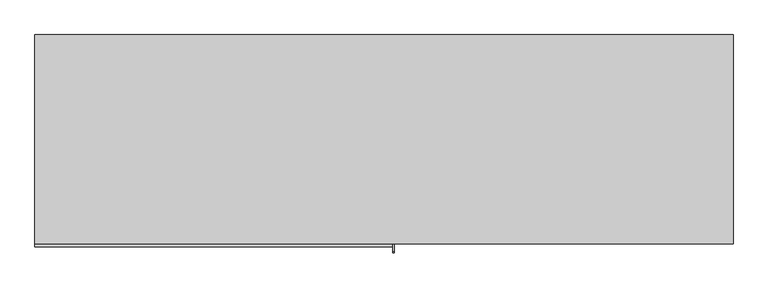
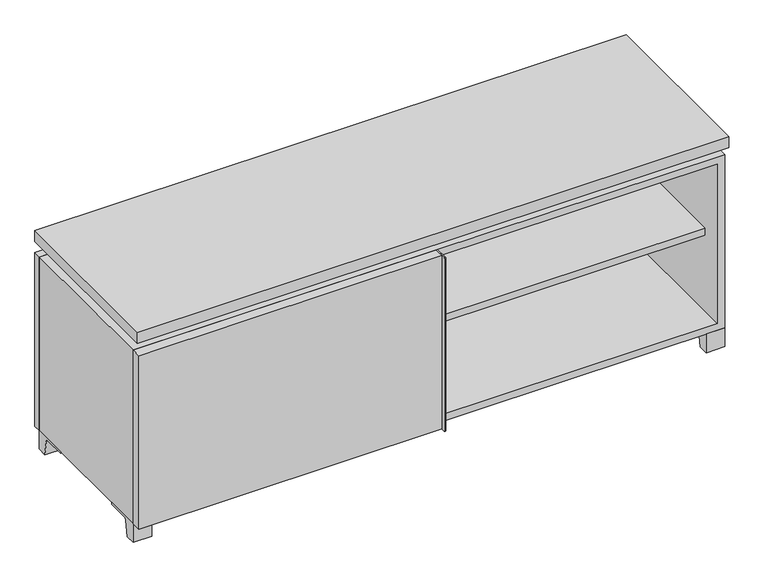
"""IFC4 building model written with IfcOpenShell, lengths in millimetres: furniture geometry."""

from ifc_helpers import new_model, si_unit, point, frame, frame_2d, origin, place, context, project, spatial, polyline, circle_curve, trimmed, segment, composite_curve, outline, extrude, faceted_brep, source, transform, mapped, element, save


def furniture_8820813d(model_context):
    return source(origin(), model_context, "Body", "SolidModel", [
        extrude(outline(polyline([(9.5319453, 241.3), (742.9569453, 241.3), (742.9569453, -92.075), (9.5319453, -92.075), (9.5319453, 241.3)])), frame((0.0, 0.0, 277.8125), z_axis=(0.0, 0.0, 1.0), x_axis=(1.0, 0.0, 0.0)), (0.0, 0.0, 1.0), 19.05),
        extrude(outline(polyline([(-9.5041641, 241.3), (-9.5041641, -92.075), (-742.9291641, -92.075), (-742.9291641, 241.3), (-9.5041641, 241.3)])), frame((0.0, 0.0, 277.8125), z_axis=(0.0, 0.0, 1.0), x_axis=(1.0, 0.0, 0.0)), (0.0, 0.0, 1.0), 19.05),
        extrude(outline(composite_curve([segment(polyline([(47.6249864, 0.0), (22.225, 0.0), (22.225, 50.8), (117.475, 50.8), (117.475, 46.0213321), (60.6744655, 46.0213321)]), True, "CONTINUOUS"), segment(trimmed(circle_curve(frame_2d((60.6744655, 39.6713321)), 6.35), [point((60.6744655, 46.0213321))], [point((54.4108641, 40.7152656))], True, "CARTESIAN"), True, "CONTINUOUS"), segment(polyline([(54.4108641, 40.7152656), (47.6249864, 0.0)]), True, "CONTINUOUS")], self_intersect=False)), frame((-23.7986094, 0.0, 0.0), z_axis=(1.0, 0.0, 0.0), x_axis=(0.0, 1.0, 0.0)), (0.0, 0.0, 1.0), 47.625),
        extrude(outline(polyline([(762.0138906, 292.1), (762.0138906, -165.1), (-761.9861094, -165.1), (-761.9861094, 292.1), (762.0138906, 292.1)])), frame((0.0, 0.0, 554.0375), z_axis=(0.0, 0.0, 1.0), x_axis=(1.0, 0.0, 0.0)), (0.0, 0.0, 1.0), 30.1625),
        extrude(outline(composite_curve([segment(polyline([(-146.05, 523.875), (-146.05, 50.8), (-180.975, 50.8)]), True, "CONTINUOUS"), segment(trimmed(circle_curve(frame_2d((-180.975, 53.975)), 3.175), [point((-180.975, 50.8))], [point((-184.15, 53.975))], False, "CARTESIAN"), True, "CONTINUOUS"), segment(polyline([(-184.15, 53.975), (-184.15, 520.7)]), True, "CONTINUOUS"), segment(trimmed(circle_curve(frame_2d((-180.975, 520.7)), 3.175), [point((-184.15, 520.7))], [point((-180.975, 523.875))], False, "CARTESIAN"), True, "CONTINUOUS"), segment(polyline([(-180.975, 523.875), (-146.05, 523.875)]), True, "CONTINUOUS")], self_intersect=False)), frame((19.0638906, 0.0, 0.0), z_axis=(1.0, 0.0, 0.0), x_axis=(0.0, 1.0, 0.0)), (0.0, 0.0, 1.0), 3.175),
        extrude(outline(polyline([(-761.9861094, -146.05), (19.0638906, -146.05), (19.0638906, -171.45), (-761.9861094, -171.45), (-761.9861094, -146.05)])), frame((0.0, 0.0, 50.8), z_axis=(0.0, 0.0, 1.0), x_axis=(1.0, 0.0, 0.0)), (0.0, 0.0, 1.0), 473.075),
        extrude(outline(composite_curve([segment(polyline([(-120.6500136, 0.0), (-146.05, 0.0), (-146.05, 50.8), (-50.8, 50.8), (-50.8, 46.0213321), (-107.6005345, 46.0213321)]), True, "CONTINUOUS"), segment(trimmed(circle_curve(frame_2d((-107.6005345, 39.6713321)), 6.35), [point((-107.6005345, 46.0213321))], [point((-113.8641359, 40.7152656))], True, "CARTESIAN"), True, "CONTINUOUS"), segment(polyline([(-113.8641359, 40.7152656), (-120.6500136, 0.0)]), True, "CONTINUOUS")], self_intersect=False)), frame((714.3888906, 0.0, 0.0), z_axis=(1.0, 0.0, 0.0), x_axis=(0.0, 1.0, 0.0)), (0.0, 0.0, 1.0), 47.625),
        extrude(outline(composite_curve([segment(polyline([(247.6500136, 0.0), (240.8641359, 40.7152656)]), True, "CONTINUOUS"), segment(trimmed(circle_curve(frame_2d((234.6005345, 39.6713321)), 6.35), [point((240.8641359, 40.7152656))], [point((234.6005345, 46.0213321))], True, "CARTESIAN"), True, "CONTINUOUS"), segment(polyline([(234.6005345, 46.0213321), (177.8, 46.0213321), (177.8, 50.8), (273.05, 50.8), (273.05, 0.0), (247.6500136, 0.0)]), True, "CONTINUOUS")], self_intersect=False)), frame((714.3888906, 0.0, 0.0), z_axis=(1.0, 0.0, 0.0), x_axis=(0.0, 1.0, 0.0)), (0.0, 0.0, 1.0), 47.625),
        extrude(outline(composite_curve([segment(polyline([(-120.6500136, 0.0), (-146.05, 0.0), (-146.05, 50.8), (-50.8, 50.8), (-50.8, 46.0213321), (-107.6005345, 46.0213321)]), True, "CONTINUOUS"), segment(trimmed(circle_curve(frame_2d((-107.6005345, 39.6713321)), 6.35), [point((-107.6005345, 46.0213321))], [point((-113.8641359, 40.7152656))], True, "CARTESIAN"), True, "CONTINUOUS"), segment(polyline([(-113.8641359, 40.7152656), (-120.6500136, 0.0)]), True, "CONTINUOUS")], self_intersect=False)), frame((-761.9861094, 0.0, 0.0), z_axis=(1.0, 0.0, 0.0), x_axis=(0.0, 1.0, 0.0)), (0.0, 0.0, 1.0), 47.625),
        extrude(outline(composite_curve([segment(polyline([(247.6500136, 0.0), (240.8641359, 40.7152656)]), True, "CONTINUOUS"), segment(trimmed(circle_curve(frame_2d((234.6005345, 39.6713321)), 6.35), [point((240.8641359, 40.7152656))], [point((234.6005345, 46.0213321))], True, "CARTESIAN"), True, "CONTINUOUS"), segment(polyline([(234.6005345, 46.0213321), (177.8, 46.0213321), (177.8, 50.8), (273.05, 50.8), (273.05, 0.0), (247.6500136, 0.0)]), True, "CONTINUOUS")], self_intersect=False)), frame((-761.9861094, 0.0, 0.0), z_axis=(1.0, 0.0, 0.0), x_axis=(0.0, 1.0, 0.0)), (0.0, 0.0, 1.0), 47.625),
        faceted_brep([(7.9513906, -120.65, 554.0375), (7.9513906, -120.65, 523.875), (7.9513906, 53.975, 523.875), (7.9513906, 53.975, 554.0375), (7.9513906, 247.65, 523.875), (7.9513906, 247.65, 554.0375), (7.9513906, 73.025, 554.0375), (7.9513906, 73.025, 523.875), (-7.9236094, 247.65, 554.0375), (-7.9236094, 247.65, 523.875), (-7.9236094, 73.025, 523.875), (-7.9236094, 73.025, 554.0375), (-7.9236094, -120.65, 523.875), (-7.9236094, -120.65, 554.0375), (-7.9236094, 53.975, 554.0375), (-7.9236094, 53.975, 523.875), (-720.6833281, 73.025, 554.0375), (-720.7041641, 247.65, 554.0375), (-736.5791641, 247.65, 554.0375), (-736.5791641, -120.65, 554.0375), (-720.7041641, -120.65, 554.0375), (-720.7041641, 53.975, 554.0375), (720.7111094, 53.975, 554.0375), (720.7111094, -120.65, 554.0375), (736.5861094, -120.65, 554.0375), (736.5861094, 247.65, 554.0375), (720.7111094, 247.65, 554.0375), (720.7111094, 73.025, 554.0375), (-720.6833281, 53.975, 523.875), (-720.7041641, -120.65, 523.875), (-736.5791641, -120.65, 523.875), (-736.5791641, 247.65, 523.875), (-720.7041641, 247.65, 523.875), (-720.7041641, 73.025, 523.875), (720.7111094, 73.025, 523.875), (720.7111094, 247.65, 523.875), (736.5861094, 247.65, 523.875), (736.5861094, -120.65, 523.875), (720.7111094, -120.65, 523.875), (720.7111094, 53.975, 523.875)], [[[0, 1, 2, 3]], [[4, 5, 6, 7]], [[8, 9, 10, 11]], [[12, 13, 14, 15]], [[5, 8, 11, 16, 17, 18, 19, 20, 21, 14, 13, 0, 3, 22, 23, 24, 25, 26, 27, 6]], [[1, 12, 15, 28, 29, 30, 31, 32, 33, 10, 9, 4, 7, 34, 35, 36, 37, 38, 39, 2]], [[5, 4, 9, 8]], [[1, 0, 13, 12]], [[6, 27, 34, 7]], [[22, 3, 2, 39]], [[20, 29, 28, 21]], [[32, 17, 16, 33]], [[18, 31, 30, 19]], [[29, 20, 19, 30]], [[17, 32, 31, 18]], [[26, 35, 34, 27]], [[38, 23, 22, 39]], [[25, 24, 37, 36]], [[23, 38, 37, 24]], [[35, 26, 25, 36]], [[16, 11, 10, 33]], [[14, 21, 28, 15]]]),
        extrude(outline(polyline([(9.5388906, 241.3), (9.5388906, -95.25), (-9.5111094, -95.25), (-9.5111094, 241.3), (9.5388906, 241.3)])), frame((0.0, 0.0, 69.85), z_axis=(0.0, 0.0, 1.0), x_axis=(1.0, 0.0, 0.0)), (0.0, 0.0, 1.0), 434.975),
        extrude(outline(polyline([(15.8888906, -88.9), (15.8888906, -146.05), (-9.5111094, -146.05), (-9.5111094, -120.65), (3.1888906, -120.65), (3.1888906, -88.9), (15.8888906, -88.9)])), frame((0.0, 0.0, 69.85), z_axis=(0.0, 0.0, 1.0), x_axis=(1.0, 0.0, 0.0)), (0.0, 0.0, 1.0), 434.975),
        extrude(outline(polyline([(762.0138906, 273.05), (-761.9861094, 273.05), (-761.9861094, 292.1), (762.0138906, 292.1), (762.0138906, 273.05)])), frame((0.0, 0.0, 50.8), z_axis=(0.0, 0.0, 1.0), x_axis=(1.0, 0.0, 0.0)), (0.0, 0.0, 1.0), 473.075),
        extrude(outline(polyline([(50.8, -761.9861094), (50.8, 762.0), (523.875, 762.0), (523.875, -761.9861094), (50.8, -761.9861094)]), holes=[polyline([(69.85, -742.9361094), (504.825, -742.9361094), (504.825, 742.9361094), (69.85, 742.9361094), (69.85, -742.9361094)])]), frame((0.0, -146.05, 0.0), z_axis=(0.0, 1.0, 0.0), x_axis=(0.0, 0.0, 1.0)), (0.0, 0.0, 1.0), 419.1),
        extrude(outline(polyline([(-742.9291641, 241.3), (-742.9291641, 247.65), (742.9569453, 247.65), (742.9569453, 241.3), (-742.9291641, 241.3)])), frame((0.0, 0.0, 69.85), z_axis=(0.0, 0.0, 1.0), x_axis=(1.0, 0.0, 0.0)), (0.0, 0.0, 1.0), 434.975),
    ])


if __name__ == "__main__":
    model = new_model("IFC4")
    model_context = context("Model", 3, world=origin())
    ifc_project = project(units=[si_unit("LENGTHUNIT", "METRE", prefix="MILLI")], contexts=[model_context])
    site = spatial("IfcSite", under=ifc_project)
    building = spatial("IfcBuilding", under=site)
    placement = place(None, origin())
    furniture_shape = furniture_8820813d(model_context)
    element("IfcFurniture", 1, at=placement, inside=building, context=model_context, shape_type="MappedRepresentation", body=[
        mapped(furniture_shape, transform((0.0, 0.0, 0.0), x_axis=(1.0, 0.0, 0.0), y_axis=(0.0, 1.0, 0.0), z_axis=(0.0, 0.0, 1.0))),
    ])
    save(model, "model.ifc")
